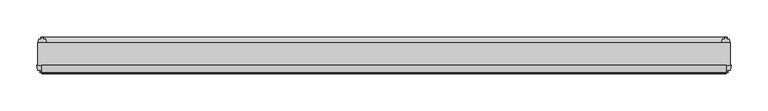
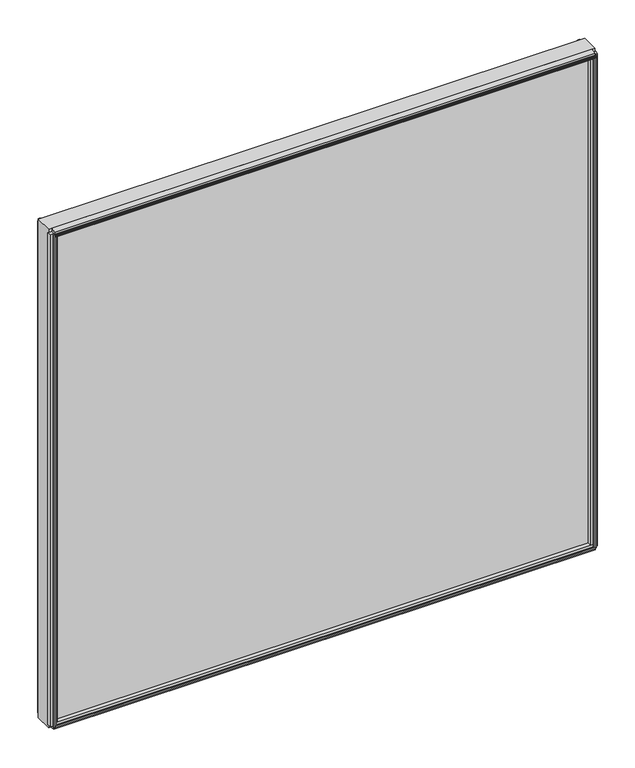
"""IFC4 building model written with IfcOpenShell, lengths in millimetres: plate geometry."""

import ifcopenshell
import ifcopenshell.guid

model = None  # the IFC model being written
_history = None  # IfcOwnerHistory: only IFC2X3 demands one
_inside = {}  # id of a spatial element -> (the spatial element, [elements in it])
_under = {}  # id of a project, library or spatial element -> (it, [spatial elements below it])
_declared = {}  # id of a project -> (the project, [libraries it declares])
_typed = {}  # id of a type object -> (the type object, [elements of that type])
_made_of = {}  # id of a material, layer set ... -> (it, [elements and type objects made of it])


def new_model(schema):
    """Start an empty IFC model of exactly this schema.

    Asked for "IFC4X3", IfcOpenShell would pick the latest addendum, in which some entities
    have other attributes; the version numbers below select the first issue.
    IFC2X3 requires an IfcOwnerHistory on every rooted entity: one is made here for all.
    """
    global model, _history
    if schema == "IFC4X3":
        model = ifcopenshell.file(schema_version=(4, 3, 0, 0))
    else:
        model = ifcopenshell.file(schema=schema)
    _inside.clear()
    _under.clear()
    _declared.clear()
    _typed.clear()
    _made_of.clear()
    _history = None
    if model.schema == "IFC2X3":
        org = make("IfcOrganization", Name="unknown")
        user = make(
            "IfcPersonAndOrganization",
            ThePerson=make("IfcPerson", FamilyName="unknown"),
            TheOrganization=org,
        )
        app = make(
            "IfcApplication",
            ApplicationDeveloper=org,
            Version="unknown",
            ApplicationFullName="unknown",
            ApplicationIdentifier="unknown",
        )
        _history = make(
            "IfcOwnerHistory",
            OwningUser=user,
            OwningApplication=app,
            ChangeAction="ADDED",
            CreationDate=0,
        )
    return model


def make(cls, **values):
    """One entity of the class cls with the attributes given. An attribute that is None is left unset."""
    return model.create_entity(
        cls, **{name: value for name, value in values.items() if value is not None}
    )


def rooted(cls, **values):
    """An entity with a GlobalId (a new one), such as an element, a storey or a relation."""
    return make(cls, GlobalId=ifcopenshell.guid.new(), OwnerHistory=_history, **values)


def si_unit(unit_type, name, prefix=None):
    """IfcSIUnit, for example si_unit("LENGTHUNIT", "METRE", prefix="MILLI")."""
    return make("IfcSIUnit", UnitType=unit_type, Prefix=prefix, Name=name)


def assignment(units):
    """IfcUnitAssignment: the units of a project."""
    return None if units is None else make("IfcUnitAssignment", Units=units)


def point(xyz):
    """IfcCartesianPoint."""
    return None if xyz is None else make("IfcCartesianPoint", Coordinates=xyz)


def direction(xyz):
    """IfcDirection."""
    return None if xyz is None else make("IfcDirection", DirectionRatios=xyz)


def frame(location, z_axis=None, x_axis=None):
    """IfcAxis2Placement3D, a coordinate frame: its origin and axes. An axis left out is left unset."""
    return make(
        "IfcAxis2Placement3D",
        Location=point(location),
        Axis=direction(z_axis),
        RefDirection=direction(x_axis),
    )


def frame_2d(location, x_axis=None):
    """IfcAxis2Placement2D, a coordinate frame in the plane: its origin and x axis."""
    return make(
        "IfcAxis2Placement2D", Location=point(location), RefDirection=direction(x_axis)
    )


def origin():
    """The frame at (0, 0, 0) with its axes left unset."""
    return frame((0.0, 0.0, 0.0))


def place(relative_to, where):
    """IfcLocalPlacement: puts the frame where relative to a parent placement (None: the world)."""
    return make(
        "IfcLocalPlacement", PlacementRelTo=relative_to, RelativePlacement=where
    )


def context(
    kind, dimensions, precision=None, world=None, true_north=None, identifier=None
):
    """IfcGeometricRepresentationContext, for example the 3D "Model" context."""
    return make(
        "IfcGeometricRepresentationContext",
        ContextIdentifier=identifier,
        ContextType=kind,
        CoordinateSpaceDimension=dimensions,
        Precision=precision,
        WorldCoordinateSystem=world,
        TrueNorth=true_north,
    )


def project(units=None, contexts=None):
    """IfcProject with its units and contexts."""
    return rooted(
        "IfcProject",
        Name="project",
        RepresentationContexts=contexts,
        UnitsInContext=assignment(units),
    )


def spatial(cls, under=None, at=None, **own):
    """A site, building, storey or space (cls), placed at a placement, below another one or the project."""
    s = rooted(cls, ObjectPlacement=at, **own)
    if under is not None:
        _under.setdefault(under.id(), (under, []))[1].append(s)
    return s


def polyline(points):
    """IfcPolyline through the points."""
    return make("IfcPolyline", Points=[point(p) for p in points])


def circle_curve(where, radius):
    """IfcCircle in the frame where."""
    return make("IfcCircle", Position=where, Radius=radius)


def trimmed(basis, trim1, trim2, sense, master):
    """IfcTrimmedCurve: the piece of a basis curve between two trims."""
    return make(
        "IfcTrimmedCurve",
        BasisCurve=basis,
        Trim1=trim1,
        Trim2=trim2,
        SenseAgreement=sense,
        MasterRepresentation=master,
    )


def segment(curve, same_sense, transition):
    """IfcCompositeCurveSegment."""
    return make(
        "IfcCompositeCurveSegment",
        Transition=transition,
        SameSense=same_sense,
        ParentCurve=curve,
    )


def composite_curve(segments, self_intersect=None):
    """IfcCompositeCurve: segments joined end to end."""
    return make("IfcCompositeCurve", Segments=segments, SelfIntersect=self_intersect)


def outline(outer, holes=None, kind="AREA"):
    """IfcArbitraryClosedProfileDef: a profile drawn as a closed curve; with holes, ...WithVoids."""
    if holes is None:
        return make("IfcArbitraryClosedProfileDef", ProfileType=kind, OuterCurve=outer)
    return make(
        "IfcArbitraryProfileDefWithVoids",
        ProfileType=kind,
        OuterCurve=outer,
        InnerCurves=holes,
    )


def extrude(swept, where, along, depth):
    """IfcExtrudedAreaSolid: the profile swept, set in the frame where, extruded along a direction by depth."""
    return make(
        "IfcExtrudedAreaSolid",
        SweptArea=swept,
        Position=where,
        ExtrudedDirection=direction(along),
        Depth=depth,
    )


def shape(context_of_items, identifier, shape_type, items):
    """IfcShapeRepresentation: the items that make up one representation, for example the "Body"."""
    return make(
        "IfcShapeRepresentation",
        ContextOfItems=context_of_items,
        RepresentationIdentifier=identifier,
        RepresentationType=shape_type,
        Items=items,
    )


def source(mapping_origin, context_of_items, identifier, shape_type, items):
    """IfcRepresentationMap: a shape defined once, which mapped items show again and again."""
    return make(
        "IfcRepresentationMap",
        MappingOrigin=mapping_origin,
        MappedRepresentation=shape(context_of_items, identifier, shape_type, items),
    )


def transform(
    local_origin,
    x_axis=None,
    y_axis=None,
    z_axis=None,
    scale=None,
    scale2=None,
    scale3=None,
    uniform=True,
):
    """IfcCartesianTransformationOperator3D, or its non-uniform kind. x_axis, y_axis, z_axis: its Axis1, 2, 3."""
    if uniform:
        return make(
            "IfcCartesianTransformationOperator3D",
            Axis1=direction(x_axis),
            Axis2=direction(y_axis),
            LocalOrigin=point(local_origin),
            Scale=scale,
            Axis3=direction(z_axis),
        )
    return make(
        "IfcCartesianTransformationOperator3DnonUniform",
        Axis1=direction(x_axis),
        Axis2=direction(y_axis),
        LocalOrigin=point(local_origin),
        Scale=scale,
        Axis3=direction(z_axis),
        Scale2=scale2,
        Scale3=scale3,
    )


def mapped(mapping_source, mapping_target):
    """IfcMappedItem: shows the shape of a source again, moved by a transform."""
    return make(
        "IfcMappedItem", MappingSource=mapping_source, MappingTarget=mapping_target
    )


def made_of(thing, what):
    """Note that an element or type object is made of a material, layer set ...; save() writes the relation."""
    if what is not None:
        _made_of.setdefault(what.id(), (what, []))[1].append(thing)
    return thing


def element(
    cls,
    number,
    at=None,
    inside=None,
    cuts=None,
    type_object=None,
    material=None,
    context=None,
    identifier="Body",
    shape_type=None,
    held_by="IfcProductDefinitionShape",
    body=None,
    shapes=None,
    **own,
):
    """One element of the class cls, such as IfcWall. Its Tag is "e" and its number.

    at: its placement. inside: the storey or other place that contains it. cuts: it is an
    opening in that element (IfcRelVoidsElement). A single representation is given by context,
    identifier, shape_type and body (its items); several are given by shapes. held_by: the class
    of the entity that holds the representations. save() writes the other relations.
    """
    e = rooted(cls, Tag="e%d" % number, ObjectPlacement=at, **own)
    if body is not None:
        shapes = [shape(context, identifier, shape_type, body)]
    if shapes is not None:
        e.Representation = make(held_by, Representations=shapes)
    if inside is not None:
        _inside.setdefault(inside.id(), (inside, []))[1].append(e)
    if cuts is not None:
        rooted(
            "IfcRelVoidsElement", RelatingBuildingElement=cuts, RelatedOpeningElement=e
        )
    if type_object is not None:
        _typed.setdefault(type_object.id(), (type_object, []))[1].append(e)
    return made_of(e, material)


def aggregate(whole, parts):
    """IfcRelAggregates: a whole, such as a stair, and the parts it consists of."""
    return rooted("IfcRelAggregates", RelatingObject=whole, RelatedObjects=parts)


def save(model, path):
    """Write the relations noted so far, then the file.

    IfcRelAggregates (storeys below a building ...), IfcRelContainedInSpatialStructure (elements
    in a storey), IfcRelDefinesByType, IfcRelAssociatesMaterial and IfcRelDeclares: one each for
    every whole, place, type object, material and project.
    """
    for whole, parts in _under.values():
        aggregate(whole, parts)
    for where, things in _inside.values():
        rooted(
            "IfcRelContainedInSpatialStructure",
            RelatedElements=things,
            RelatingStructure=where,
        )
    for kind, things in _typed.values():
        rooted("IfcRelDefinesByType", RelatedObjects=things, RelatingType=kind)
    for what, things in _made_of.values():
        rooted("IfcRelAssociatesMaterial", RelatedObjects=things, RelatingMaterial=what)
    for by, libraries in _declared.values():
        rooted("IfcRelDeclares", RelatingContext=by, RelatedDefinitions=libraries)
    model.write(path)


def plate_f0f41315(model_context):
    return source(origin(), model_context, "Body", "SweptSolid", [
        extrude(outline(polyline([(471.425, 0.0611188), (471.425, -30.0632812), (-471.425, -30.0632812), (-471.425, 0.0611188), (471.425, 0.0611188)])), frame((0.0, 0.0, -11.1125), z_axis=(0.0, 0.0, 1.0), x_axis=(1.0, 0.0, 0.0)), (0.0, 0.0, 1.0), 908.3330961),
        extrude(outline(composite_curve([segment(polyline([(8.0873088, 0.0002053), (5.6997088, 0.0001442)]), True, "CONTINUOUS"), segment(trimmed(circle_curve(frame_2d((5.6997289, -0.7872558)), 0.7874), [point((5.6997088, 0.0001442))], [point((4.9123289, -0.7872759))], True, "CARTESIAN"), True, "CONTINUOUS"), segment(polyline([(4.9123289, -0.7872759), (4.9123491, -1.5746759), (6.4871491, -1.5746356), (4.9125187, -7.3281779), (4.9125187, -8.2080719)]), True, "CONTINUOUS"), segment(trimmed(circle_curve(frame_2d((2.4868178, -8.16973)), 2.426004), [point((4.9125187, -8.2080719))], [point((0.0611188, -8.208196))], False, "CARTESIAN"), True, "CONTINUOUS"), segment(polyline([(0.0611188, -8.208196), (0.0611188, 5.8106117)]), True, "CONTINUOUS"), segment(trimmed(circle_curve(frame_2d((11.7432902, 13.4990678)), 13.9851882), [point((0.0611188, 5.8106117))], [point((8.0873088, 0.0002053))], True, "CARTESIAN"), True, "CONTINUOUS")], self_intersect=False)), frame((-465.86875, 0.0, 0.0), z_axis=(1.0, 0.0, 0.0), x_axis=(0.0, 1.0, 0.0)), (0.0, 0.0, 1.0), 931.7375),
        extrude(outline(polyline([(-39.5149036, -7.140847), (-39.2671431, -8.6868), (-40.0794863, -8.6868), (-40.4772812, -6.35), (-40.0622654, -4.0132), (-39.2489981, -4.0132), (-39.5092713, -5.5660571), (-36.7897626, -5.0931804), (-36.7897626, -0.8006079), (-30.0632812, 0.3636403), (-30.0632812, -13.1466842), (-36.798847, -11.9285134), (-36.798847, -7.6331642), (-39.5149036, -7.140847)])), frame((-465.86875, 0.0, 0.0), z_axis=(1.0, 0.0, 0.0), x_axis=(0.0, 1.0, 0.0)), (0.0, 0.0, 1.0), 931.7375),
        extrude(outline(polyline([(-30.0632813, 897.8124973), (-30.0632813, 883.4429092), (-36.7942812, 885.2120812), (-37.9052879, 889.3584144), (-40.6553872, 889.1211518), (-40.0090278, 887.6902863), (-40.7941323, 887.4799182), (-41.7914929, 889.6319096), (-42.003749, 891.9942691), (-41.2186445, 892.2046373), (-41.0629754, 890.6422917), (-38.5626883, 891.811866), (-39.6736949, 895.9581992), (-30.0632813, 897.8124973)])), frame((-465.86875, 0.0, 0.0), z_axis=(1.0, 0.0, 0.0), x_axis=(0.0, 1.0, 0.0)), (0.0, 0.0, 1.0), 931.7375),
        extrude(outline(polyline([(466.6209429, -39.5092713), (468.1694246, -39.2497314), (468.1723316, -40.0625262), (465.837, -40.4772812), (463.4987614, -40.0792415), (463.4987614, -39.2664467), (465.046153, -39.5149036), (464.5538273, -36.7987999), (460.2752005, -36.7987999), (459.0819, -30.0632812), (472.5921, -30.0632812), (471.4031205, -36.7744101), (467.0964891, -36.7744101), (466.6209429, -39.5092713)])), frame((0.0, 0.0, -5.55625), z_axis=(0.0, 0.0, 1.0), x_axis=(1.0, 0.0, 0.0)), (0.0, 0.0, 1.0), 897.2205961),
        extrude(outline(polyline([(464.2910571, 7.5513088), (462.7425754, 7.2917689), (462.7396684, 8.1045637), (465.075, 8.5193188), (467.4132386, 8.121279), (467.4132386, 7.3084842), (465.865847, 7.5569411), (466.3581727, 4.8408374), (469.8491409, 4.8408374), (470.3779556, 2.5845617), (469.8448338, 0.0611188), (460.3051662, 0.0611188), (459.7720444, 2.5845617), (460.2998, 4.8363188), (463.8189662, 4.8363188), (464.2910571, 7.5513088)])), frame((0.0, 0.0, -5.55625), z_axis=(0.0, 0.0, 1.0), x_axis=(1.0, 0.0, 0.0)), (0.0, 0.0, 1.0), 897.2205961),
        extrude(outline(polyline([(-466.6209429, -39.5092713), (-467.0964891, -36.7744101), (-471.4031205, -36.7744101), (-472.5921, -30.0632812), (-459.0819, -30.0632812), (-460.2752005, -36.7987999), (-464.5538273, -36.7987999), (-465.046153, -39.5149036), (-463.4987614, -39.2664467), (-463.4987614, -40.0792415), (-465.837, -40.4772812), (-468.1723316, -40.0625262), (-468.1694246, -39.2497314), (-466.6209429, -39.5092713)])), frame((0.0, 0.0, -5.55625), z_axis=(0.0, 0.0, 1.0), x_axis=(1.0, 0.0, 0.0)), (0.0, 0.0, 1.0), 897.2205961),
        extrude(outline(polyline([(-464.2910571, 7.5513088), (-463.8189662, 4.8363188), (-460.2998, 4.8363188), (-459.7720444, 2.5845617), (-460.3051662, 0.0611188), (-469.8448338, 0.0611188), (-470.3779556, 2.5845617), (-469.8491409, 4.8408374), (-466.3581727, 4.8408374), (-465.865847, 7.5569411), (-467.4132386, 7.3084842), (-467.4132386, 8.121279), (-465.075, 8.5193188), (-462.7396684, 8.1045637), (-462.7425754, 7.2917689), (-464.2910571, 7.5513088)])), frame((0.0, 0.0, -5.55625), z_axis=(0.0, 0.0, 1.0), x_axis=(1.0, 0.0, 0.0)), (0.0, 0.0, 1.0), 897.2205961),
    ])


if __name__ == "__main__":
    model = new_model("IFC4")
    model_context = context("Model", 3, world=origin())
    ifc_project = project(units=[si_unit("LENGTHUNIT", "METRE", prefix="MILLI")], contexts=[model_context])
    site = spatial("IfcSite", under=ifc_project)
    building = spatial("IfcBuilding", under=site)
    placement = place(None, origin())
    plate_shape = plate_f0f41315(model_context)
    element("IfcPlate", 1, at=placement, inside=building, context=model_context, shape_type="MappedRepresentation", body=[
        mapped(plate_shape, transform((0.0, 0.0, 0.0), x_axis=(1.0, 0.0, 0.0), y_axis=(0.0, 1.0, 0.0), z_axis=(0.0, 0.0, 1.0))),
    ])
    save(model, "model.ifc")
